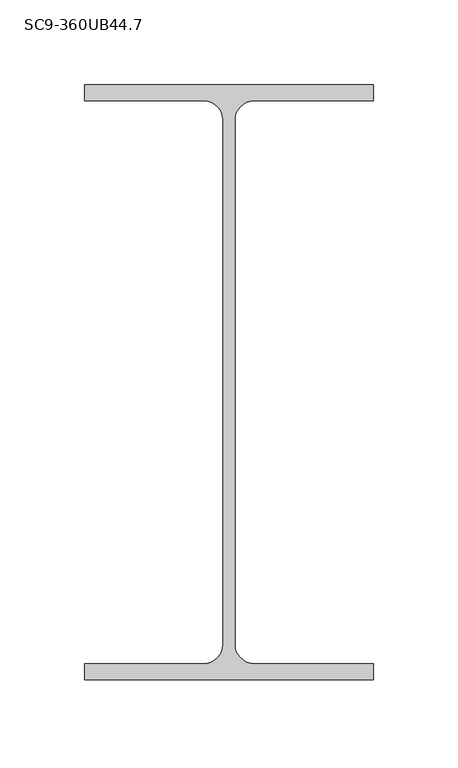
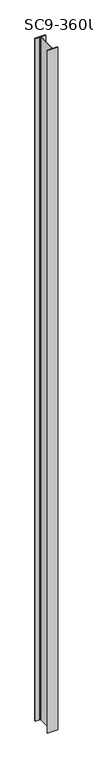
"""IFC4 building model written with IfcOpenShell, lengths in millimetres: column geometry, SC9-360UB44.7."""

from ifc_helpers import new_model, si_unit, point, frame, frame_2d, origin, place, context, project, spatial, polyline, circle_curve, trimmed, segment, composite_curve, outline, extrude, source, transform, mapped, element, save


def sc9_360ub44_7_235e30d8(model_context):
    return source(origin(), model_context, "Body", "SweptSolid", [
        extrude(outline(composite_curve([segment(polyline([(85.5, 176.0), (85.5, 166.3), (14.85, 166.3)]), True, "CONTINUOUS"), segment(trimmed(circle_curve(frame_2d((14.85, 154.9)), 11.4), [point((14.85, 166.3))], [point((3.45, 154.9))], True, "CARTESIAN"), True, "CONTINUOUS"), segment(polyline([(3.45, 154.9), (3.45, -154.9)]), True, "CONTINUOUS"), segment(trimmed(circle_curve(frame_2d((14.85, -154.9)), 11.4), [point((3.45, -154.9))], [point((14.85, -166.3))], True, "CARTESIAN"), True, "CONTINUOUS"), segment(polyline([(14.85, -166.3), (85.5, -166.3), (85.5, -176.0), (-85.5, -176.0), (-85.5, -166.3), (-14.85, -166.3)]), True, "CONTINUOUS"), segment(trimmed(circle_curve(frame_2d((-14.85, -154.9)), 11.4), [point((-14.85, -166.3))], [point((-3.45, -154.9))], True, "CARTESIAN"), True, "CONTINUOUS"), segment(polyline([(-3.45, -154.9), (-3.45, 154.9)]), True, "CONTINUOUS"), segment(trimmed(circle_curve(frame_2d((-14.85, 154.9)), 11.4), [point((-3.45, 154.9))], [point((-14.85, 166.3))], True, "CARTESIAN"), True, "CONTINUOUS"), segment(polyline([(-14.85, 166.3), (-85.5, 166.3), (-85.5, 176.0), (85.5, 176.0)]), True, "CONTINUOUS")], self_intersect=False)), frame((0.0, 0.0, 46800.0), z_axis=(0.0, 0.0, 1.0), x_axis=(1.0, 0.0, 0.0)), (0.0, 0.0, 1.0), 11787.494903),
    ])


if __name__ == "__main__":
    model = new_model("IFC4")
    model_context = context("Model", 3, world=origin())
    ifc_project = project(units=[si_unit("LENGTHUNIT", "METRE", prefix="MILLI")], contexts=[model_context])
    site = spatial("IfcSite", under=ifc_project)
    building = spatial("IfcBuilding", under=site)
    placement = place(None, origin())
    sc9_360ub44_7_shape = sc9_360ub44_7_235e30d8(model_context)
    element("IfcColumn", 1, ObjectType="SC9-360UB44.7", at=placement, inside=building, context=model_context, shape_type="MappedRepresentation", body=[
        mapped(sc9_360ub44_7_shape, transform((0.0, 0.0, 0.0), x_axis=(1.0, 0.0, 0.0), y_axis=(0.0, 1.0, 0.0), z_axis=(0.0, 0.0, 1.0))),
    ])
    save(model, "model.ifc")
